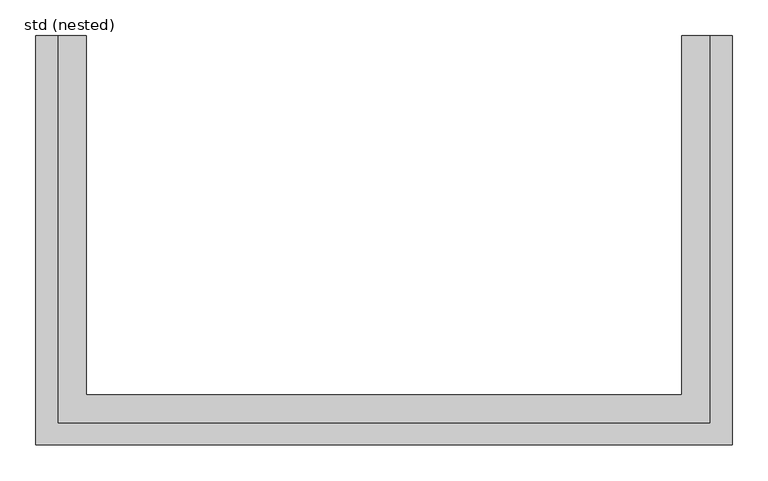
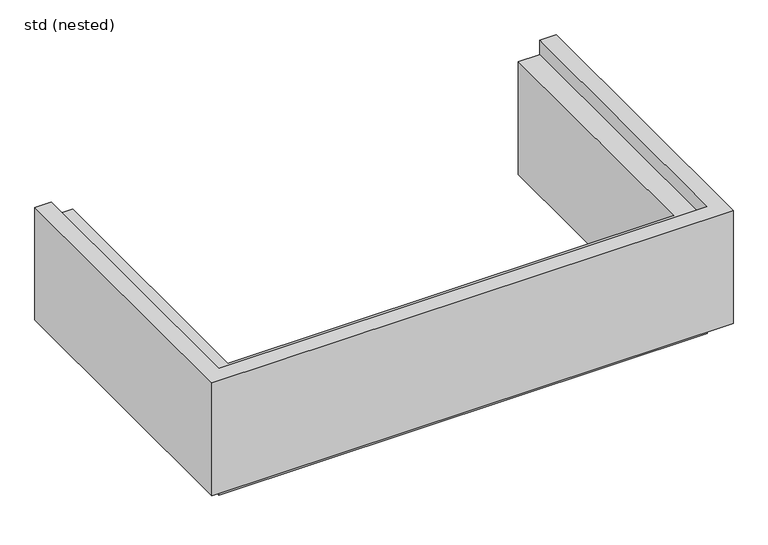
"""IFC4 building model written with IfcOpenShell, lengths in millimetres: proxy geometry, std (nested)."""

from ifc_helpers import new_model, si_unit, origin, place, context, project, spatial, faceted_brep, source, transform, mapped, element, save


def std_nested_91d9f5f0(model_context):
    return source(origin(), model_context, "Body", "Brep", [
        faceted_brep([(-484.5, 0.0, 250.0), (-454.0, 0.0, 250.0), (-454.0, 0.0, 222.0), (-414.5, 0.0, 222.0), (-414.5, 0.0, 0.0), (-454.0, 0.0, 0.0), (-454.0, 0.0, 28.0), (-484.5, 0.0, 28.0), (-484.5, -570.0, 250.0), (484.5, -570.0, 250.0), (484.5, 0.0, 250.0), (454.0, 0.0, 250.0), (454.0, -539.5, 250.0), (-454.0, -539.5, 250.0), (-454.0, -539.5, 222.0), (454.0, -539.5, 222.0), (454.0, 0.0, 222.0), (414.5, 0.0, 222.0), (414.5, -500.0, 222.0), (-414.5, -500.0, 222.0), (-414.5, -500.0, 0.0), (-484.5, -570.0, 28.0), (414.5, -500.0, 0.0), (484.5, -570.0, 28.0), (484.5, 0.0, 28.0), (454.0, 0.0, 28.0), (454.0, 0.0, 0.0), (414.5, 0.0, 0.0), (454.0, -539.5, 0.0), (-454.0, -539.5, 0.0), (-454.0, -539.5, 28.0), (454.0, -539.5, 28.0)], [[[0, 1, 2, 3, 4, 5, 6, 7]], [[1, 0, 8, 9, 10, 11, 12, 13]], [[2, 1, 13, 14]], [[3, 2, 14, 15, 16, 17, 18, 19]], [[4, 3, 19, 20]], [[0, 7, 21, 8]], [[14, 13, 12, 15]], [[20, 19, 18, 22]], [[8, 21, 23, 9]], [[10, 24, 25, 26, 27, 17, 16, 11]], [[15, 12, 11, 16]], [[22, 18, 17, 27]], [[9, 23, 24, 10]], [[5, 4, 20, 22, 27, 26, 28, 29]], [[6, 5, 29, 30]], [[7, 6, 30, 31, 25, 24, 23, 21]], [[30, 29, 28, 31]], [[31, 28, 26, 25]]]),
    ])


if __name__ == "__main__":
    model = new_model("IFC4")
    model_context = context("Model", 3, world=origin())
    ifc_project = project(units=[si_unit("LENGTHUNIT", "METRE", prefix="MILLI")], contexts=[model_context])
    site = spatial("IfcSite", under=ifc_project)
    building = spatial("IfcBuilding", under=site)
    placement = place(None, origin())
    std_nested_shape = std_nested_91d9f5f0(model_context)
    element("IfcBuildingElementProxy", 1, Name="std (nested)", ObjectType="std (nested)", at=placement, inside=building, context=model_context, shape_type="MappedRepresentation", body=[
        mapped(std_nested_shape, transform((0.0, 0.0, 0.0), x_axis=(1.0, 0.0, 0.0), y_axis=(0.0, 1.0, 0.0), z_axis=(0.0, 0.0, 1.0))),
    ])
    save(model, "model.ifc")
